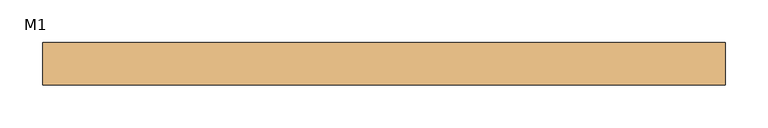
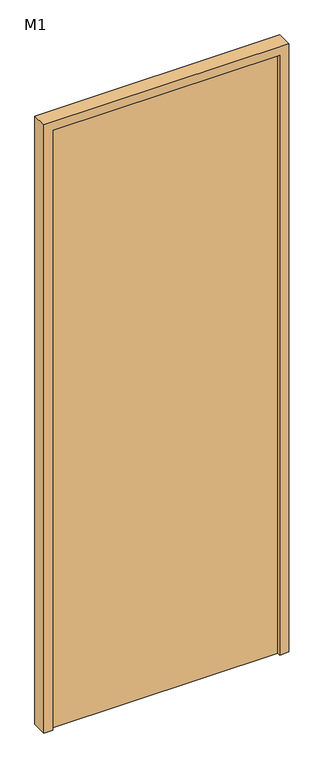
"""IFC4 building model written with IfcOpenShell, lengths in millimetres: door geometry, M1."""

from ifc_helpers import new_model, si_unit, frame, origin, origin_with_axes, place, context, project, spatial, polyline, outline, extrude, source, transform, mapped, element, save


def m1_6dbf8953(model_context):
    return source(origin(), model_context, "Body", "SweptSolid", [
        extrude(outline(polyline([(2100.0, 400.0), (2100.0, -400.0), (0.0, -400.0), (0.0, -370.0), (2070.0, -370.0), (2070.0, 370.0), (0.0, 370.0), (0.0, 400.0), (2100.0, 400.0)])), frame((0.0, -25.0, 0.0), z_axis=(0.0, 1.0, 0.0), x_axis=(0.0, 0.0, 1.0)), (0.0, 0.0, 1.0), 50.0),
        extrude(outline(polyline([(370.0, 15.0), (370.0, -15.0), (-370.0, -15.0), (-370.0, 15.0), (370.0, 15.0)])), origin_with_axes(), (0.0, 0.0, 1.0), 2070.0),
    ])


if __name__ == "__main__":
    model = new_model("IFC4")
    model_context = context("Model", 3, world=origin())
    ifc_project = project(units=[si_unit("LENGTHUNIT", "METRE", prefix="MILLI")], contexts=[model_context])
    site = spatial("IfcSite", under=ifc_project)
    building = spatial("IfcBuilding", under=site)
    placement = place(None, origin())
    m1_shape = m1_6dbf8953(model_context)
    element("IfcDoor", 1, ObjectType="M1", at=placement, inside=building, context=model_context, shape_type="MappedRepresentation", body=[
        mapped(m1_shape, transform((0.0, 0.0, 0.0), x_axis=(1.0, 0.0, 0.0), y_axis=(0.0, 1.0, 0.0), z_axis=(0.0, 0.0, 1.0))),
    ])
    save(model, "model.ifc")
